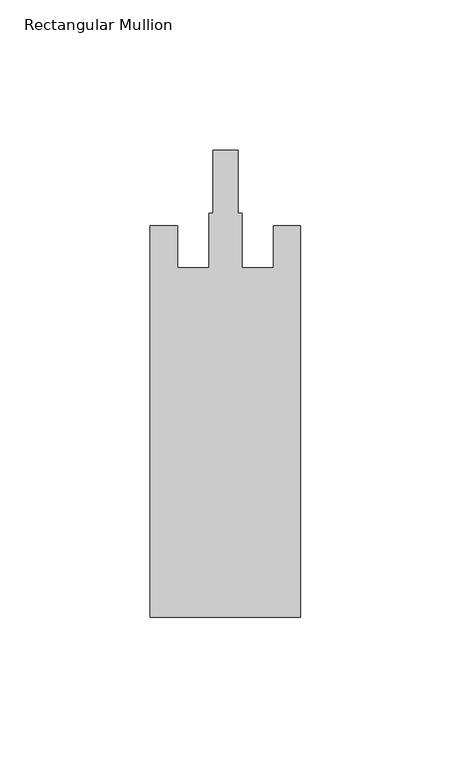
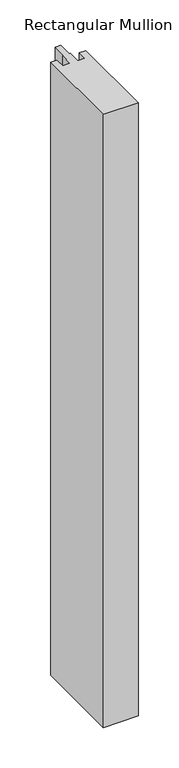
"""IFC4 building model written with IfcOpenShell, lengths in millimetres: member geometry, Rectangular Mullion."""

from ifc_helpers import new_model, si_unit, frame, origin, place, context, project, spatial, polyline, outline, extrude, source, transform, mapped, element, save


def rectangular_mullion_046e344d(model_context):
    return source(origin(), model_context, "Body", "SweptSolid", [
        extrude(outline(polyline([(-50.0, -162.0), (-50.0, -32.0), (-41.0, -32.0), (-41.0, -46.0), (-30.5, -46.0), (-30.5, -27.8), (-29.1, -27.8), (-29.1, -7.0), (-20.9, -7.0), (-20.9, -27.8), (-19.5, -27.8), (-19.5, -46.0), (-9.0, -46.0), (-9.0, -32.0), (0.0, -32.0), (0.0, -162.0), (-50.0, -162.0)])), frame((0.0, 0.0, -925.0), z_axis=(0.0, 0.0, 1.0), x_axis=(1.0, 0.0, 0.0)), (0.0, 0.0, 1.0), 925.0),
    ])


if __name__ == "__main__":
    model = new_model("IFC4")
    model_context = context("Model", 3, world=origin())
    ifc_project = project(units=[si_unit("LENGTHUNIT", "METRE", prefix="MILLI")], contexts=[model_context])
    site = spatial("IfcSite", under=ifc_project)
    building = spatial("IfcBuilding", under=site)
    placement = place(None, origin())
    rectangular_mullion_shape = rectangular_mullion_046e344d(model_context)
    element("IfcMember", 1, ObjectType="Rectangular Mullion", at=placement, inside=building, context=model_context, shape_type="MappedRepresentation", body=[
        mapped(rectangular_mullion_shape, transform((0.0, 0.0, 0.0), x_axis=(1.0, 0.0, 0.0), y_axis=(0.0, 1.0, 0.0), z_axis=(0.0, 0.0, 1.0))),
    ])
    save(model, "model.ifc")
